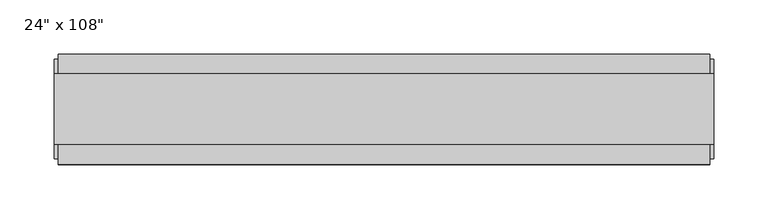
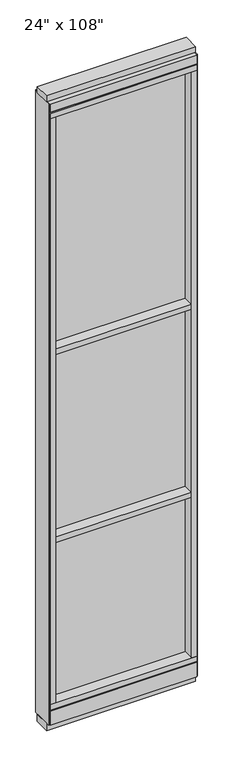
"""IFC4 building model written with IfcOpenShell, lengths in millimetres: furniture geometry."""

import ifcopenshell
import ifcopenshell.guid

model = None  # the IFC model being written
_history = None  # IfcOwnerHistory: only IFC2X3 demands one
_inside = {}  # id of a spatial element -> (the spatial element, [elements in it])
_under = {}  # id of a project, library or spatial element -> (it, [spatial elements below it])
_declared = {}  # id of a project -> (the project, [libraries it declares])
_typed = {}  # id of a type object -> (the type object, [elements of that type])
_made_of = {}  # id of a material, layer set ... -> (it, [elements and type objects made of it])


def new_model(schema):
    """Start an empty IFC model of exactly this schema.

    Asked for "IFC4X3", IfcOpenShell would pick the latest addendum, in which some entities
    have other attributes; the version numbers below select the first issue.
    IFC2X3 requires an IfcOwnerHistory on every rooted entity: one is made here for all.
    """
    global model, _history
    if schema == "IFC4X3":
        model = ifcopenshell.file(schema_version=(4, 3, 0, 0))
    else:
        model = ifcopenshell.file(schema=schema)
    _inside.clear()
    _under.clear()
    _declared.clear()
    _typed.clear()
    _made_of.clear()
    _history = None
    if model.schema == "IFC2X3":
        org = make("IfcOrganization", Name="unknown")
        user = make(
            "IfcPersonAndOrganization",
            ThePerson=make("IfcPerson", FamilyName="unknown"),
            TheOrganization=org,
        )
        app = make(
            "IfcApplication",
            ApplicationDeveloper=org,
            Version="unknown",
            ApplicationFullName="unknown",
            ApplicationIdentifier="unknown",
        )
        _history = make(
            "IfcOwnerHistory",
            OwningUser=user,
            OwningApplication=app,
            ChangeAction="ADDED",
            CreationDate=0,
        )
    return model


def make(cls, **values):
    """One entity of the class cls with the attributes given. An attribute that is None is left unset."""
    return model.create_entity(
        cls, **{name: value for name, value in values.items() if value is not None}
    )


def rooted(cls, **values):
    """An entity with a GlobalId (a new one), such as an element, a storey or a relation."""
    return make(cls, GlobalId=ifcopenshell.guid.new(), OwnerHistory=_history, **values)


def si_unit(unit_type, name, prefix=None):
    """IfcSIUnit, for example si_unit("LENGTHUNIT", "METRE", prefix="MILLI")."""
    return make("IfcSIUnit", UnitType=unit_type, Prefix=prefix, Name=name)


def assignment(units):
    """IfcUnitAssignment: the units of a project."""
    return None if units is None else make("IfcUnitAssignment", Units=units)


def point(xyz):
    """IfcCartesianPoint."""
    return None if xyz is None else make("IfcCartesianPoint", Coordinates=xyz)


def direction(xyz):
    """IfcDirection."""
    return None if xyz is None else make("IfcDirection", DirectionRatios=xyz)


def frame(location, z_axis=None, x_axis=None):
    """IfcAxis2Placement3D, a coordinate frame: its origin and axes. An axis left out is left unset."""
    return make(
        "IfcAxis2Placement3D",
        Location=point(location),
        Axis=direction(z_axis),
        RefDirection=direction(x_axis),
    )


def origin():
    """The frame at (0, 0, 0) with its axes left unset."""
    return frame((0.0, 0.0, 0.0))


def origin_with_axes():
    """The frame at (0, 0, 0) with the z axis (0, 0, 1) and the x axis (1, 0, 0) written out."""
    return frame((0.0, 0.0, 0.0), z_axis=(0.0, 0.0, 1.0), x_axis=(1.0, 0.0, 0.0))


def place(relative_to, where):
    """IfcLocalPlacement: puts the frame where relative to a parent placement (None: the world)."""
    return make(
        "IfcLocalPlacement", PlacementRelTo=relative_to, RelativePlacement=where
    )


def context(
    kind, dimensions, precision=None, world=None, true_north=None, identifier=None
):
    """IfcGeometricRepresentationContext, for example the 3D "Model" context."""
    return make(
        "IfcGeometricRepresentationContext",
        ContextIdentifier=identifier,
        ContextType=kind,
        CoordinateSpaceDimension=dimensions,
        Precision=precision,
        WorldCoordinateSystem=world,
        TrueNorth=true_north,
    )


def project(units=None, contexts=None):
    """IfcProject with its units and contexts."""
    return rooted(
        "IfcProject",
        Name="project",
        RepresentationContexts=contexts,
        UnitsInContext=assignment(units),
    )


def spatial(cls, under=None, at=None, **own):
    """A site, building, storey or space (cls), placed at a placement, below another one or the project."""
    s = rooted(cls, ObjectPlacement=at, **own)
    if under is not None:
        _under.setdefault(under.id(), (under, []))[1].append(s)
    return s


def polyline(points):
    """IfcPolyline through the points."""
    return make("IfcPolyline", Points=[point(p) for p in points])


def outline(outer, holes=None, kind="AREA"):
    """IfcArbitraryClosedProfileDef: a profile drawn as a closed curve; with holes, ...WithVoids."""
    if holes is None:
        return make("IfcArbitraryClosedProfileDef", ProfileType=kind, OuterCurve=outer)
    return make(
        "IfcArbitraryProfileDefWithVoids",
        ProfileType=kind,
        OuterCurve=outer,
        InnerCurves=holes,
    )


def extrude(swept, where, along, depth):
    """IfcExtrudedAreaSolid: the profile swept, set in the frame where, extruded along a direction by depth."""
    return make(
        "IfcExtrudedAreaSolid",
        SweptArea=swept,
        Position=where,
        ExtrudedDirection=direction(along),
        Depth=depth,
    )


def shape(context_of_items, identifier, shape_type, items):
    """IfcShapeRepresentation: the items that make up one representation, for example the "Body"."""
    return make(
        "IfcShapeRepresentation",
        ContextOfItems=context_of_items,
        RepresentationIdentifier=identifier,
        RepresentationType=shape_type,
        Items=items,
    )


def source(mapping_origin, context_of_items, identifier, shape_type, items):
    """IfcRepresentationMap: a shape defined once, which mapped items show again and again."""
    return make(
        "IfcRepresentationMap",
        MappingOrigin=mapping_origin,
        MappedRepresentation=shape(context_of_items, identifier, shape_type, items),
    )


def transform(
    local_origin,
    x_axis=None,
    y_axis=None,
    z_axis=None,
    scale=None,
    scale2=None,
    scale3=None,
    uniform=True,
):
    """IfcCartesianTransformationOperator3D, or its non-uniform kind. x_axis, y_axis, z_axis: its Axis1, 2, 3."""
    if uniform:
        return make(
            "IfcCartesianTransformationOperator3D",
            Axis1=direction(x_axis),
            Axis2=direction(y_axis),
            LocalOrigin=point(local_origin),
            Scale=scale,
            Axis3=direction(z_axis),
        )
    return make(
        "IfcCartesianTransformationOperator3DnonUniform",
        Axis1=direction(x_axis),
        Axis2=direction(y_axis),
        LocalOrigin=point(local_origin),
        Scale=scale,
        Axis3=direction(z_axis),
        Scale2=scale2,
        Scale3=scale3,
    )


def mapped(mapping_source, mapping_target):
    """IfcMappedItem: shows the shape of a source again, moved by a transform."""
    return make(
        "IfcMappedItem", MappingSource=mapping_source, MappingTarget=mapping_target
    )


def made_of(thing, what):
    """Note that an element or type object is made of a material, layer set ...; save() writes the relation."""
    if what is not None:
        _made_of.setdefault(what.id(), (what, []))[1].append(thing)
    return thing


def element(
    cls,
    number,
    at=None,
    inside=None,
    cuts=None,
    type_object=None,
    material=None,
    context=None,
    identifier="Body",
    shape_type=None,
    held_by="IfcProductDefinitionShape",
    body=None,
    shapes=None,
    **own,
):
    """One element of the class cls, such as IfcWall. Its Tag is "e" and its number.

    at: its placement. inside: the storey or other place that contains it. cuts: it is an
    opening in that element (IfcRelVoidsElement). A single representation is given by context,
    identifier, shape_type and body (its items); several are given by shapes. held_by: the class
    of the entity that holds the representations. save() writes the other relations.
    """
    e = rooted(cls, Tag="e%d" % number, ObjectPlacement=at, **own)
    if body is not None:
        shapes = [shape(context, identifier, shape_type, body)]
    if shapes is not None:
        e.Representation = make(held_by, Representations=shapes)
    if inside is not None:
        _inside.setdefault(inside.id(), (inside, []))[1].append(e)
    if cuts is not None:
        rooted(
            "IfcRelVoidsElement", RelatingBuildingElement=cuts, RelatedOpeningElement=e
        )
    if type_object is not None:
        _typed.setdefault(type_object.id(), (type_object, []))[1].append(e)
    return made_of(e, material)


def aggregate(whole, parts):
    """IfcRelAggregates: a whole, such as a stair, and the parts it consists of."""
    return rooted("IfcRelAggregates", RelatingObject=whole, RelatedObjects=parts)


def save(model, path):
    """Write the relations noted so far, then the file.

    IfcRelAggregates (storeys below a building ...), IfcRelContainedInSpatialStructure (elements
    in a storey), IfcRelDefinesByType, IfcRelAssociatesMaterial and IfcRelDeclares: one each for
    every whole, place, type object, material and project.
    """
    for whole, parts in _under.values():
        aggregate(whole, parts)
    for where, things in _inside.values():
        rooted(
            "IfcRelContainedInSpatialStructure",
            RelatedElements=things,
            RelatingStructure=where,
        )
    for kind, things in _typed.values():
        rooted("IfcRelDefinesByType", RelatedObjects=things, RelatingType=kind)
    for what, things in _made_of.values():
        rooted("IfcRelAssociatesMaterial", RelatedObjects=things, RelatingMaterial=what)
    for by, libraries in _declared.values():
        rooted("IfcRelDeclares", RelatingContext=by, RelatedDefinitions=libraries)
    model.write(path)


def furniture_9281e381(model_context):
    return source(origin(), model_context, "Body", "SweptSolid", [
        extrude(outline(polyline([(-338.6745229, -52.3332216), (-338.6745229, 43.2977784), (218.6014771, 43.2977784), (218.6014771, -52.3332216), (-338.6745229, -52.3332216)])), frame((0.0, 0.0, 1625.6), z_axis=(0.0, 0.0, 1.0), x_axis=(1.0, 0.0, 0.0)), (0.0, 0.0, 1.0), 22.225),
        extrude(outline(polyline([(-338.6745229, -52.3332216), (-338.6745229, 43.2977784), (218.6014771, 43.2977784), (218.6014771, -52.3332216), (-338.6745229, -52.3332216)])), frame((0.0, 0.0, 812.8), z_axis=(0.0, 0.0, 1.0), x_axis=(1.0, 0.0, 0.0)), (0.0, 0.0, 1.0), 22.225),
        extrude(outline(polyline([(218.6014771, -9.5977216), (-338.6745229, -9.5977216), (-338.6745229, 0.5622784), (218.6014771, 0.5622784), (218.6014771, -9.5977216)])), frame((0.0, 0.0, 120.523), z_axis=(0.0, 0.0, 1.0), x_axis=(1.0, 0.0, 0.0)), (0.0, 0.0, 1.0), 2533.777),
        extrude(outline(polyline([(-55.3177216, 93.345), (-50.3647216, 93.345), (-50.3647216, 98.298), (41.3292784, 98.298), (41.3292784, 93.345), (46.2822784, 93.345), (46.2822784, 31.75), (-55.3177216, 31.75), (-55.3177216, 93.345)])), frame((-360.8995229, 0.0, 0.0), z_axis=(1.0, 0.0, 0.0), x_axis=(0.0, 1.0, 0.0)), (0.0, 0.0, 1.0), 601.726),
        extrude(outline(polyline([(-360.8995229, -55.3177216), (-360.8995229, 46.2822784), (240.8264771, 46.2822784), (240.8264771, -55.3177216), (-360.8995229, -55.3177216)])), frame((0.0, 0.0, 98.298), z_axis=(0.0, 0.0, 1.0), x_axis=(1.0, 0.0, 0.0)), (0.0, 0.0, 1.0), 22.225),
        extrude(outline(polyline([(244.7634771, 27.9942784), (244.7634771, -37.0297216), (-364.8365229, -37.0297216), (-364.8365229, 27.9942784), (244.7634771, 27.9942784)])), origin_with_axes(), (0.0, 0.0, 1.0), 31.75),
        extrude(outline(polyline([(-364.8365229, -37.0297216), (-364.8365229, 27.9942784), (244.7634771, 27.9942784), (244.7634771, -37.0297216), (-364.8365229, -37.0297216)])), frame((0.0, 0.0, 2717.8), z_axis=(0.0, 0.0, 1.0), x_axis=(1.0, 0.0, 0.0)), (0.0, 0.0, 1.0), 25.4),
        extrude(outline(polyline([(-55.3177216, 2681.478), (-55.3177216, 2717.8), (46.2822784, 2717.8), (46.2822784, 2681.478), (41.3292784, 2681.478), (41.3292784, 2676.525), (-50.3647216, 2676.525), (-50.3647216, 2681.478), (-55.3177216, 2681.478)])), frame((-360.8995229, 0.0, 0.0), z_axis=(1.0, 0.0, 0.0), x_axis=(0.0, 1.0, 0.0)), (0.0, 0.0, 1.0), 601.726),
        extrude(outline(polyline([(240.8264771, 46.2822784), (240.8264771, -55.3177216), (-360.8995229, -55.3177216), (-360.8995229, 46.2822784), (240.8264771, 46.2822784)])), frame((0.0, 0.0, 2654.3), z_axis=(0.0, 0.0, 1.0), x_axis=(1.0, 0.0, 0.0)), (0.0, 0.0, 1.0), 22.225),
        extrude(outline(polyline([(218.6014771, -55.3177216), (218.6014771, 46.2822784), (240.8264771, 46.2822784), (240.8264771, -55.3177216), (218.6014771, -55.3177216)])), frame((0.0, 0.0, 120.523), z_axis=(0.0, 0.0, 1.0), x_axis=(1.0, 0.0, 0.0)), (0.0, 0.0, 1.0), 2533.777),
        extrude(outline(polyline([(-338.6745229, -55.3177216), (-360.8995229, -55.3177216), (-360.8995229, 46.2822784), (-338.6745229, 46.2822784), (-338.6745229, -55.3177216)])), frame((0.0, 0.0, 120.523), z_axis=(0.0, 0.0, 1.0), x_axis=(1.0, 0.0, 0.0)), (0.0, 0.0, 1.0), 2533.777),
        extrude(outline(polyline([(244.7634771, -50.3647216), (240.8264771, -50.3647216), (240.8264771, 41.3292784), (244.7634771, 41.3292784), (244.7634771, -50.3647216)])), frame((0.0, 0.0, 31.75), z_axis=(0.0, 0.0, 1.0), x_axis=(1.0, 0.0, 0.0)), (0.0, 0.0, 1.0), 2686.05),
        extrude(outline(polyline([(-364.8365229, -50.3647216), (-364.8365229, 41.3292784), (-360.8995229, 41.3292784), (-360.8995229, -50.3647216), (-364.8365229, -50.3647216)])), frame((0.0, 0.0, 31.75), z_axis=(0.0, 0.0, 1.0), x_axis=(1.0, 0.0, 0.0)), (0.0, 0.0, 1.0), 2686.05),
    ])


if __name__ == "__main__":
    model = new_model("IFC4")
    model_context = context("Model", 3, world=origin())
    ifc_project = project(units=[si_unit("LENGTHUNIT", "METRE", prefix="MILLI")], contexts=[model_context])
    site = spatial("IfcSite", under=ifc_project)
    building = spatial("IfcBuilding", under=site)
    placement = place(None, origin())
    furniture_shape = furniture_9281e381(model_context)
    element("IfcFurniture", 1, ObjectType="24\" x 108\"", at=placement, inside=building, context=model_context, shape_type="MappedRepresentation", body=[
        mapped(furniture_shape, transform((0.0, 0.0, 0.0), x_axis=(1.0, 0.0, 0.0), y_axis=(0.0, 1.0, 0.0), z_axis=(0.0, 0.0, 1.0))),
    ])
    save(model, "model.ifc")
